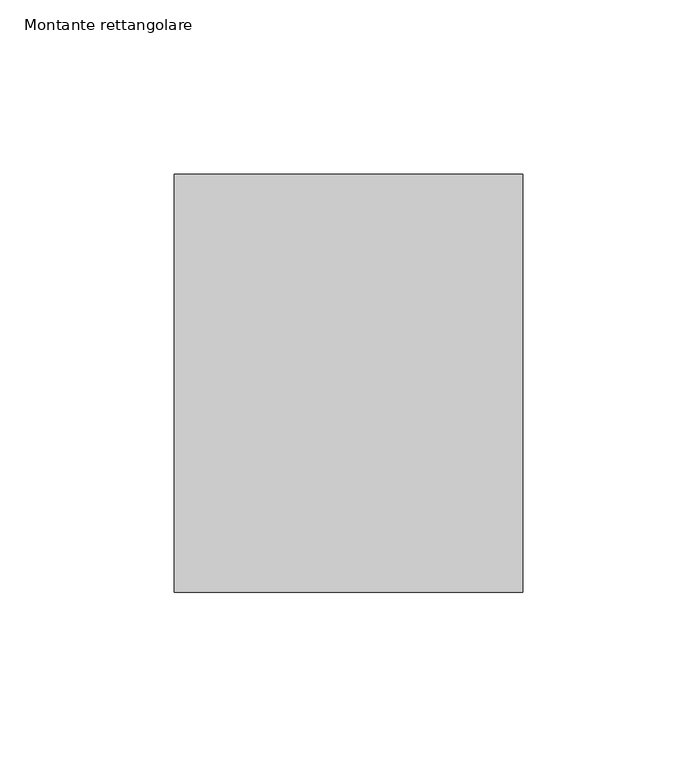
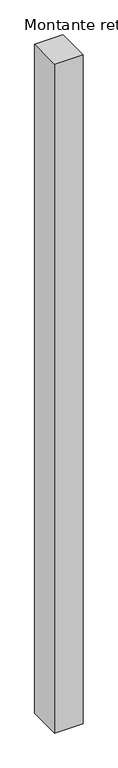
"""IFC4 building model written with IfcOpenShell, lengths in millimetres: member geometry, Montante rettangolare."""

from ifc_helpers import new_model, si_unit, frame, origin, place, context, project, spatial, polyline, outline, extrude, source, transform, mapped, element, save


def montante_rettangolare_343f7233(model_context):
    return source(origin(), model_context, "Body", "SweptSolid", [
        extrude(outline(polyline([(0.0, 60.0), (0.0, -60.0), (-100.0, -60.0), (-100.0, 60.0), (0.0, 60.0)])), frame((0.0, 0.0, -2474.0524768), z_axis=(0.0, 0.0, 1.0), x_axis=(1.0, 0.0, 0.0)), (0.0, 0.0, 1.0), 2474.0524768),
    ])


if __name__ == "__main__":
    model = new_model("IFC4")
    model_context = context("Model", 3, world=origin())
    ifc_project = project(units=[si_unit("LENGTHUNIT", "METRE", prefix="MILLI")], contexts=[model_context])
    site = spatial("IfcSite", under=ifc_project)
    building = spatial("IfcBuilding", under=site)
    placement = place(None, origin())
    montante_rettangolare_shape = montante_rettangolare_343f7233(model_context)
    element("IfcMember", 1, ObjectType="Montante rettangolare", at=placement, inside=building, context=model_context, shape_type="MappedRepresentation", body=[
        mapped(montante_rettangolare_shape, transform((0.0, 0.0, 0.0), x_axis=(1.0, 0.0, 0.0), y_axis=(0.0, 1.0, 0.0), z_axis=(0.0, 0.0, 1.0))),
    ])
    save(model, "model.ifc")
